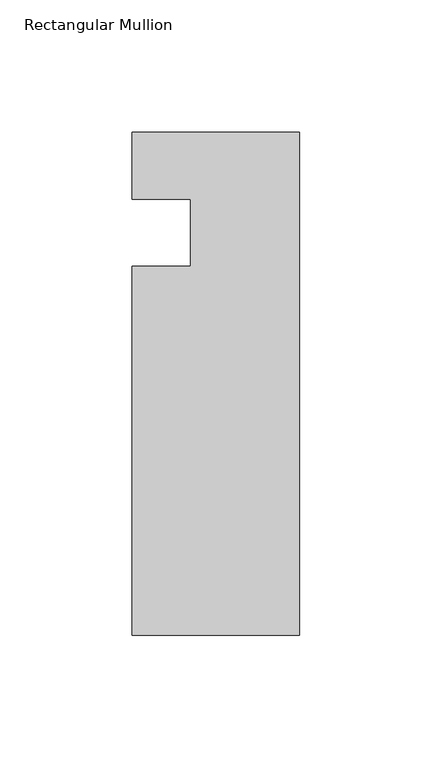
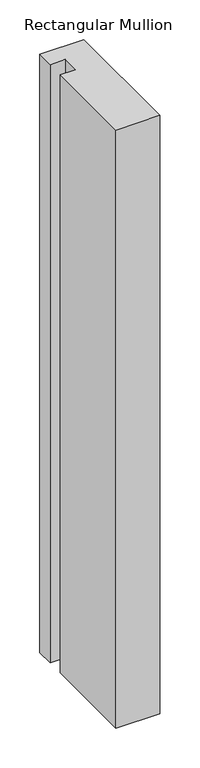
"""IFC4 building model written with IfcOpenShell, lengths in millimetres: member geometry, Rectangular Mullion."""

import ifcopenshell
import ifcopenshell.guid

model = None  # the IFC model being written
_history = None  # IfcOwnerHistory: only IFC2X3 demands one
_inside = {}  # id of a spatial element -> (the spatial element, [elements in it])
_under = {}  # id of a project, library or spatial element -> (it, [spatial elements below it])
_declared = {}  # id of a project -> (the project, [libraries it declares])
_typed = {}  # id of a type object -> (the type object, [elements of that type])
_made_of = {}  # id of a material, layer set ... -> (it, [elements and type objects made of it])


def new_model(schema):
    """Start an empty IFC model of exactly this schema.

    Asked for "IFC4X3", IfcOpenShell would pick the latest addendum, in which some entities
    have other attributes; the version numbers below select the first issue.
    IFC2X3 requires an IfcOwnerHistory on every rooted entity: one is made here for all.
    """
    global model, _history
    if schema == "IFC4X3":
        model = ifcopenshell.file(schema_version=(4, 3, 0, 0))
    else:
        model = ifcopenshell.file(schema=schema)
    _inside.clear()
    _under.clear()
    _declared.clear()
    _typed.clear()
    _made_of.clear()
    _history = None
    if model.schema == "IFC2X3":
        org = make("IfcOrganization", Name="unknown")
        user = make(
            "IfcPersonAndOrganization",
            ThePerson=make("IfcPerson", FamilyName="unknown"),
            TheOrganization=org,
        )
        app = make(
            "IfcApplication",
            ApplicationDeveloper=org,
            Version="unknown",
            ApplicationFullName="unknown",
            ApplicationIdentifier="unknown",
        )
        _history = make(
            "IfcOwnerHistory",
            OwningUser=user,
            OwningApplication=app,
            ChangeAction="ADDED",
            CreationDate=0,
        )
    return model


def make(cls, **values):
    """One entity of the class cls with the attributes given. An attribute that is None is left unset."""
    return model.create_entity(
        cls, **{name: value for name, value in values.items() if value is not None}
    )


def rooted(cls, **values):
    """An entity with a GlobalId (a new one), such as an element, a storey or a relation."""
    return make(cls, GlobalId=ifcopenshell.guid.new(), OwnerHistory=_history, **values)


def si_unit(unit_type, name, prefix=None):
    """IfcSIUnit, for example si_unit("LENGTHUNIT", "METRE", prefix="MILLI")."""
    return make("IfcSIUnit", UnitType=unit_type, Prefix=prefix, Name=name)


def assignment(units):
    """IfcUnitAssignment: the units of a project."""
    return None if units is None else make("IfcUnitAssignment", Units=units)


def point(xyz):
    """IfcCartesianPoint."""
    return None if xyz is None else make("IfcCartesianPoint", Coordinates=xyz)


def direction(xyz):
    """IfcDirection."""
    return None if xyz is None else make("IfcDirection", DirectionRatios=xyz)


def frame(location, z_axis=None, x_axis=None):
    """IfcAxis2Placement3D, a coordinate frame: its origin and axes. An axis left out is left unset."""
    return make(
        "IfcAxis2Placement3D",
        Location=point(location),
        Axis=direction(z_axis),
        RefDirection=direction(x_axis),
    )


def origin():
    """The frame at (0, 0, 0) with its axes left unset."""
    return frame((0.0, 0.0, 0.0))


def place(relative_to, where):
    """IfcLocalPlacement: puts the frame where relative to a parent placement (None: the world)."""
    return make(
        "IfcLocalPlacement", PlacementRelTo=relative_to, RelativePlacement=where
    )


def context(
    kind, dimensions, precision=None, world=None, true_north=None, identifier=None
):
    """IfcGeometricRepresentationContext, for example the 3D "Model" context."""
    return make(
        "IfcGeometricRepresentationContext",
        ContextIdentifier=identifier,
        ContextType=kind,
        CoordinateSpaceDimension=dimensions,
        Precision=precision,
        WorldCoordinateSystem=world,
        TrueNorth=true_north,
    )


def project(units=None, contexts=None):
    """IfcProject with its units and contexts."""
    return rooted(
        "IfcProject",
        Name="project",
        RepresentationContexts=contexts,
        UnitsInContext=assignment(units),
    )


def spatial(cls, under=None, at=None, **own):
    """A site, building, storey or space (cls), placed at a placement, below another one or the project."""
    s = rooted(cls, ObjectPlacement=at, **own)
    if under is not None:
        _under.setdefault(under.id(), (under, []))[1].append(s)
    return s


def polyline(points):
    """IfcPolyline through the points."""
    return make("IfcPolyline", Points=[point(p) for p in points])


def outline(outer, holes=None, kind="AREA"):
    """IfcArbitraryClosedProfileDef: a profile drawn as a closed curve; with holes, ...WithVoids."""
    if holes is None:
        return make("IfcArbitraryClosedProfileDef", ProfileType=kind, OuterCurve=outer)
    return make(
        "IfcArbitraryProfileDefWithVoids",
        ProfileType=kind,
        OuterCurve=outer,
        InnerCurves=holes,
    )


def extrude(swept, where, along, depth):
    """IfcExtrudedAreaSolid: the profile swept, set in the frame where, extruded along a direction by depth."""
    return make(
        "IfcExtrudedAreaSolid",
        SweptArea=swept,
        Position=where,
        ExtrudedDirection=direction(along),
        Depth=depth,
    )


def shape(context_of_items, identifier, shape_type, items):
    """IfcShapeRepresentation: the items that make up one representation, for example the "Body"."""
    return make(
        "IfcShapeRepresentation",
        ContextOfItems=context_of_items,
        RepresentationIdentifier=identifier,
        RepresentationType=shape_type,
        Items=items,
    )


def source(mapping_origin, context_of_items, identifier, shape_type, items):
    """IfcRepresentationMap: a shape defined once, which mapped items show again and again."""
    return make(
        "IfcRepresentationMap",
        MappingOrigin=mapping_origin,
        MappedRepresentation=shape(context_of_items, identifier, shape_type, items),
    )


def transform(
    local_origin,
    x_axis=None,
    y_axis=None,
    z_axis=None,
    scale=None,
    scale2=None,
    scale3=None,
    uniform=True,
):
    """IfcCartesianTransformationOperator3D, or its non-uniform kind. x_axis, y_axis, z_axis: its Axis1, 2, 3."""
    if uniform:
        return make(
            "IfcCartesianTransformationOperator3D",
            Axis1=direction(x_axis),
            Axis2=direction(y_axis),
            LocalOrigin=point(local_origin),
            Scale=scale,
            Axis3=direction(z_axis),
        )
    return make(
        "IfcCartesianTransformationOperator3DnonUniform",
        Axis1=direction(x_axis),
        Axis2=direction(y_axis),
        LocalOrigin=point(local_origin),
        Scale=scale,
        Axis3=direction(z_axis),
        Scale2=scale2,
        Scale3=scale3,
    )


def mapped(mapping_source, mapping_target):
    """IfcMappedItem: shows the shape of a source again, moved by a transform."""
    return make(
        "IfcMappedItem", MappingSource=mapping_source, MappingTarget=mapping_target
    )


def made_of(thing, what):
    """Note that an element or type object is made of a material, layer set ...; save() writes the relation."""
    if what is not None:
        _made_of.setdefault(what.id(), (what, []))[1].append(thing)
    return thing


def element(
    cls,
    number,
    at=None,
    inside=None,
    cuts=None,
    type_object=None,
    material=None,
    context=None,
    identifier="Body",
    shape_type=None,
    held_by="IfcProductDefinitionShape",
    body=None,
    shapes=None,
    **own,
):
    """One element of the class cls, such as IfcWall. Its Tag is "e" and its number.

    at: its placement. inside: the storey or other place that contains it. cuts: it is an
    opening in that element (IfcRelVoidsElement). A single representation is given by context,
    identifier, shape_type and body (its items); several are given by shapes. held_by: the class
    of the entity that holds the representations. save() writes the other relations.
    """
    e = rooted(cls, Tag="e%d" % number, ObjectPlacement=at, **own)
    if body is not None:
        shapes = [shape(context, identifier, shape_type, body)]
    if shapes is not None:
        e.Representation = make(held_by, Representations=shapes)
    if inside is not None:
        _inside.setdefault(inside.id(), (inside, []))[1].append(e)
    if cuts is not None:
        rooted(
            "IfcRelVoidsElement", RelatingBuildingElement=cuts, RelatedOpeningElement=e
        )
    if type_object is not None:
        _typed.setdefault(type_object.id(), (type_object, []))[1].append(e)
    return made_of(e, material)


def aggregate(whole, parts):
    """IfcRelAggregates: a whole, such as a stair, and the parts it consists of."""
    return rooted("IfcRelAggregates", RelatingObject=whole, RelatedObjects=parts)


def save(model, path):
    """Write the relations noted so far, then the file.

    IfcRelAggregates (storeys below a building ...), IfcRelContainedInSpatialStructure (elements
    in a storey), IfcRelDefinesByType, IfcRelAssociatesMaterial and IfcRelDeclares: one each for
    every whole, place, type object, material and project.
    """
    for whole, parts in _under.values():
        aggregate(whole, parts)
    for where, things in _inside.values():
        rooted(
            "IfcRelContainedInSpatialStructure",
            RelatedElements=things,
            RelatingStructure=where,
        )
    for kind, things in _typed.values():
        rooted("IfcRelDefinesByType", RelatedObjects=things, RelatingType=kind)
    for what, things in _made_of.values():
        rooted("IfcRelAssociatesMaterial", RelatedObjects=things, RelatingMaterial=what)
    for by, libraries in _declared.values():
        rooted("IfcRelDeclares", RelatingContext=by, RelatedDefinitions=libraries)
    model.write(path)


def rectangular_mullion_d399b9b5(model_context):
    return source(origin(), model_context, "Body", "SweptSolid", [
        extrude(outline(polyline([(-63.5, -184.149995), (-63.5, -44.45), (-41.2751132, -44.45), (-41.2751132, -19.0301957), (-63.5, -19.0301957), (-63.5, 6.35), (0.0, 6.35), (0.0, -184.149995), (-63.5, -184.149995)])), frame((0.0, 0.0, -914.4), z_axis=(0.0, 0.0, 1.0), x_axis=(1.0, 0.0, 0.0)), (0.0, 0.0, 1.0), 914.4),
    ])


if __name__ == "__main__":
    model = new_model("IFC4")
    model_context = context("Model", 3, world=origin())
    ifc_project = project(units=[si_unit("LENGTHUNIT", "METRE", prefix="MILLI")], contexts=[model_context])
    site = spatial("IfcSite", under=ifc_project)
    building = spatial("IfcBuilding", under=site)
    placement = place(None, origin())
    rectangular_mullion_shape = rectangular_mullion_d399b9b5(model_context)
    element("IfcMember", 1, ObjectType="Rectangular Mullion", at=placement, inside=building, context=model_context, shape_type="MappedRepresentation", body=[
        mapped(rectangular_mullion_shape, transform((0.0, 0.0, 0.0), x_axis=(1.0, 0.0, 0.0), y_axis=(0.0, 1.0, 0.0), z_axis=(0.0, 0.0, 1.0))),
    ])
    save(model, "model.ifc")
